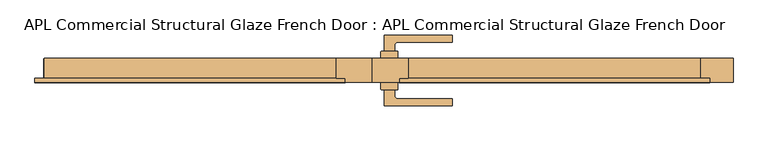
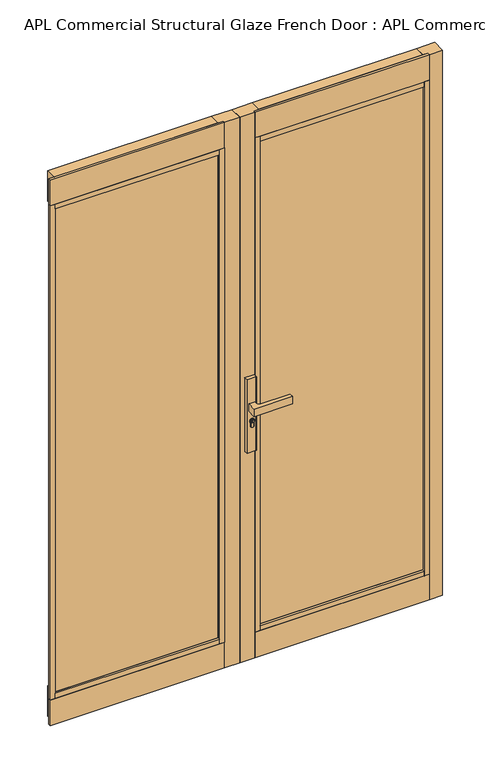
"""IFC4 building model written with IfcOpenShell, lengths in millimetres: door geometry, APL Commercial Structural Glaze French Door : APL Commercial Structural Glaze French Door."""

from ifc_helpers import new_model, si_unit, point, frame, frame_2d, origin, origin_with_axes, place, context, project, spatial, polyline, circle_curve, trimmed, segment, composite_curve, outline, extrude, faceted_brep, source, transform, mapped, element, save


def apl_commercial_structural_glaze_french_door_apl_commercial_d8d8a3a4(model_context):
    return source(origin(), model_context, "Body", "SolidModel", [
        extrude(outline(composite_curve([segment(trimmed(circle_curve(frame_2d((945.687184, 35.7946715)), 5.9005564), [point((945.687184, 41.6952279))], [point((945.687184, 29.8941151))], False, "CARTESIAN"), True, "CONTINUOUS"), segment(trimmed(circle_curve(frame_2d((945.687184, 35.7946715)), 5.9005564), [point((945.687184, 29.8941151))], [point((945.687184, 41.6952279))], False, "CARTESIAN"), True, "CONTINUOUS")], self_intersect=False), holes=[polyline([(949.7292167, 34.7306001), (949.7292167, 36.7785396), (948.9292167, 36.7785396), (948.3483344, 35.7306001), (947.1634303, 35.7306001), (946.3431864, 36.550844), (944.6002002, 36.550844), (944.0258593, 35.7306001), (941.7685105, 35.7306001), (941.7685105, 34.7306001), (944.5464263, 34.7306001), (945.1207673, 35.550844), (945.9289729, 35.550844), (946.7492167, 34.7306001), (949.7292167, 34.7306001)])]), frame((0.0, 51.3500427, 0.0), z_axis=(0.0, 1.0, 0.0), x_axis=(0.0, 0.0, 1.0)), (0.0, 0.0, 1.0), 4.423715),
        extrude(outline(composite_curve([segment(trimmed(circle_curve(frame_2d((19.1461528, 50.1000422)), 1.0), [point((18.1461528, 50.1000422))], [point((19.1461528, 51.1000422))], False, "CARTESIAN"), True, "CONTINUOUS"), segment(polyline([(19.1461528, 51.1000422), (52.1461525, 51.1000422)]), True, "CONTINUOUS"), segment(trimmed(circle_curve(frame_2d((52.1461525, 50.1000422)), 1.0), [point((52.1461525, 51.1000422))], [point((53.1461525, 50.1000422))], False, "CARTESIAN"), True, "CONTINUOUS"), segment(polyline([(53.1461525, 50.1000422), (53.1461525, 36.1000426), (18.1461528, 36.1000426), (18.1461528, 50.1000422)]), True, "CONTINUOUS")], self_intersect=False)), frame((0.0, 0.0, 822.4734334), z_axis=(0.0, 0.0, 1.0), x_axis=(1.0, 0.0, 0.0)), (0.0, 0.0, 1.0), 287.6450734),
        extrude(outline(composite_curve([segment(polyline([(18.1461528, -27.8999671), (18.1461528, -13.8999674), (53.1461525, -13.8999674), (53.1461525, -27.8999671)]), True, "CONTINUOUS"), segment(trimmed(circle_curve(frame_2d((52.1461525, -27.8999671)), 1.0), [point((53.1461525, -27.8999671))], [point((52.1461525, -28.8999671))], False, "CARTESIAN"), True, "CONTINUOUS"), segment(polyline([(52.1461525, -28.8999671), (19.1461528, -28.8999671)]), True, "CONTINUOUS"), segment(trimmed(circle_curve(frame_2d((19.1461528, -27.8999671)), 1.0), [point((19.1461528, -28.8999671))], [point((18.1461528, -27.8999671))], False, "CARTESIAN"), True, "CONTINUOUS")], self_intersect=False)), frame((0.0, 0.0, 822.4734334), z_axis=(0.0, 0.0, 1.0), x_axis=(1.0, 0.0, 0.0)), (0.0, 0.0, 1.0), 287.6450734),
        extrude(outline(composite_curve([segment(trimmed(circle_curve(frame_2d((945.687184, 35.7946715)), 8.4005564), [point((939.648662, 41.6346715))], [point((939.2521745, 30.3946715))], False, "CARTESIAN"), True, "CONTINUOUS"), segment(polyline([(939.2521745, 30.3946715), (926.2077404, 30.3946715)]), True, "CONTINUOUS"), segment(trimmed(circle_curve(frame_2d((926.2077404, 36.0146715)), 5.62), [point((926.2077404, 30.3946715))], [point((926.2077404, 41.6346715))], False, "CARTESIAN"), True, "CONTINUOUS"), segment(polyline([(926.2077404, 41.6346715), (939.648662, 41.6346715)]), True, "CONTINUOUS")], self_intersect=False), holes=[composite_curve([segment(trimmed(circle_curve(frame_2d((945.687184, 35.7946715)), 6.4005564), [point((945.687184, 42.1952279))], [point((945.687184, 29.3941151))], True, "CARTESIAN"), True, "CONTINUOUS"), segment(trimmed(circle_curve(frame_2d((945.687184, 35.7946715)), 6.4005564), [point((945.687184, 29.3941151))], [point((945.687184, 42.1952279))], True, "CARTESIAN"), True, "CONTINUOUS")], self_intersect=False)]), frame((0.0, 51.3500427, 0.0), z_axis=(0.0, 1.0, 0.0), x_axis=(0.0, 0.0, 1.0)), (0.0, 0.0, 1.0), 3.0593403),
        extrude(outline(composite_curve([segment(trimmed(circle_curve(frame_2d((945.687184, 35.7946715)), 6.4005564), [point((945.687184, 29.3941151))], [point((945.687184, 42.1952279))], False, "CARTESIAN"), True, "CONTINUOUS"), segment(trimmed(circle_curve(frame_2d((945.687184, 35.7946715)), 6.4005564), [point((945.687184, 42.1952279))], [point((945.687184, 29.3941151))], False, "CARTESIAN"), True, "CONTINUOUS")], self_intersect=False), holes=[composite_curve([segment(trimmed(circle_curve(frame_2d((945.687184, 35.7946715)), 5.9005564), [point((945.687184, 29.8941151))], [point((945.687184, 41.6952279))], True, "CARTESIAN"), True, "CONTINUOUS"), segment(trimmed(circle_curve(frame_2d((945.687184, 35.7946715)), 5.9005564), [point((945.687184, 41.6952279))], [point((945.687184, 29.8941151))], True, "CARTESIAN"), True, "CONTINUOUS")], self_intersect=False)]), frame((0.0, 51.3500427, 0.0), z_axis=(0.0, 1.0, 0.0), x_axis=(0.0, 0.0, 1.0)), (0.0, 0.0, 1.0), 3.0593403),
        extrude(outline(composite_curve([segment(polyline([(939.1595834, 30.1946715), (926.2077404, 30.1946715)]), True, "CONTINUOUS"), segment(trimmed(circle_curve(frame_2d((926.2077404, 36.0146715)), 5.82), [point((926.2077404, 30.1946715))], [point((926.2077404, 41.8346715))], False, "CARTESIAN"), True, "CONTINUOUS"), segment(polyline([(926.2077404, 41.8346715), (939.564442, 41.8346715)]), True, "CONTINUOUS"), segment(trimmed(circle_curve(frame_2d((945.687184, 35.7946715)), 8.6005564), [point((939.564442, 41.8346715))], [point((939.1595834, 30.1946715))], False, "CARTESIAN"), True, "CONTINUOUS")], self_intersect=False), holes=[composite_curve([segment(polyline([(926.2077404, 30.3946715), (939.2521745, 30.3946715)]), True, "CONTINUOUS"), segment(trimmed(circle_curve(frame_2d((945.687184, 35.7946715)), 8.4005564), [point((939.2521745, 30.3946715))], [point((939.648662, 41.6346715))], True, "CARTESIAN"), True, "CONTINUOUS"), segment(polyline([(939.648662, 41.6346715), (926.2077404, 41.6346715)]), True, "CONTINUOUS"), segment(trimmed(circle_curve(frame_2d((926.2077404, 36.0146715)), 5.62), [point((926.2077404, 41.6346715))], [point((926.2077404, 30.3946715))], True, "CARTESIAN"), True, "CONTINUOUS")], self_intersect=False)]), frame((0.0, 51.3500427, 0.0), z_axis=(0.0, 1.0, 0.0), x_axis=(0.0, 0.0, 1.0)), (0.0, 0.0, 1.0), 3.0593403),
        extrude(outline(composite_curve([segment(trimmed(circle_curve(frame_2d((91.646153, -851.6499574)), 939.0), [point((24.6461526, 84.9566836))], [point((166.646158, 84.3500422))], False, "CARTESIAN"), True, "CONTINUOUS"), segment(polyline([(166.646158, 84.3500422), (166.646158, 70.3500412), (54.1506874, 70.3500412)]), True, "CONTINUOUS"), segment(trimmed(circle_curve(frame_2d((54.1461526, 62.8500426)), 7.5), [point((54.1506874, 70.3500412))], [point((46.6461526, 62.8500426))], True, "CARTESIAN"), True, "CONTINUOUS"), segment(polyline([(46.6461526, 62.8500426), (46.6461526, 51.3500427), (24.6461526, 51.3500427), (24.6461526, 84.9566836)]), True, "CONTINUOUS")], self_intersect=False)), frame((0.0, 0.0, 985.1796291), z_axis=(0.0, 0.0, 1.0), x_axis=(1.0, 0.0, 0.0)), (0.0, 0.0, 1.0), 29.6407418),
        extrude(outline(composite_curve([segment(trimmed(circle_curve(frame_2d((945.687184, 35.7946715)), 5.9005564), [point((945.687184, 41.6952279))], [point((945.687184, 29.8941151))], False, "CARTESIAN"), True, "CONTINUOUS"), segment(trimmed(circle_curve(frame_2d((945.687184, 35.7946715)), 5.9005564), [point((945.687184, 29.8941151))], [point((945.687184, 41.6952279))], False, "CARTESIAN"), True, "CONTINUOUS")], self_intersect=False), holes=[polyline([(949.7292167, 34.7306001), (949.7292167, 36.7785396), (948.9292167, 36.7785396), (948.3483344, 35.7306001), (947.1634303, 35.7306001), (946.3431864, 36.550844), (944.6002002, 36.550844), (944.0258593, 35.7306001), (941.7685105, 35.7306001), (941.7685105, 34.7306001), (944.5464263, 34.7306001), (945.1207673, 35.550844), (945.9289729, 35.550844), (946.7492167, 34.7306001), (949.7292167, 34.7306001)])]), frame((0.0, -33.5736826, 0.0), z_axis=(0.0, 1.0, 0.0), x_axis=(0.0, 0.0, 1.0)), (0.0, 0.0, 1.0), 4.423715),
        extrude(outline(composite_curve([segment(trimmed(circle_curve(frame_2d((945.687184, 35.7946715)), 8.4005564), [point((939.648662, 41.6346715))], [point((939.2521745, 30.3946715))], False, "CARTESIAN"), True, "CONTINUOUS"), segment(polyline([(939.2521745, 30.3946715), (926.2077404, 30.3946715)]), True, "CONTINUOUS"), segment(trimmed(circle_curve(frame_2d((926.2077404, 36.0146715)), 5.62), [point((926.2077404, 30.3946715))], [point((926.2077404, 41.6346715))], False, "CARTESIAN"), True, "CONTINUOUS"), segment(polyline([(926.2077404, 41.6346715), (939.648662, 41.6346715)]), True, "CONTINUOUS")], self_intersect=False), holes=[composite_curve([segment(trimmed(circle_curve(frame_2d((945.687184, 35.7946715)), 6.4005564), [point((945.687184, 42.1952279))], [point((945.687184, 29.3941151))], True, "CARTESIAN"), True, "CONTINUOUS"), segment(trimmed(circle_curve(frame_2d((945.687184, 35.7946715)), 6.4005564), [point((945.687184, 29.3941151))], [point((945.687184, 42.1952279))], True, "CARTESIAN"), True, "CONTINUOUS")], self_intersect=False)]), frame((0.0, -32.2093079, 0.0), z_axis=(0.0, 1.0, 0.0), x_axis=(0.0, 0.0, 1.0)), (0.0, 0.0, 1.0), 3.0593403),
        extrude(outline(composite_curve([segment(trimmed(circle_curve(frame_2d((945.687184, 35.7946715)), 6.4005564), [point((945.687184, 29.3941151))], [point((945.687184, 42.1952279))], False, "CARTESIAN"), True, "CONTINUOUS"), segment(trimmed(circle_curve(frame_2d((945.687184, 35.7946715)), 6.4005564), [point((945.687184, 42.1952279))], [point((945.687184, 29.3941151))], False, "CARTESIAN"), True, "CONTINUOUS")], self_intersect=False), holes=[composite_curve([segment(trimmed(circle_curve(frame_2d((945.687184, 35.7946715)), 5.9005564), [point((945.687184, 29.8941151))], [point((945.687184, 41.6952279))], True, "CARTESIAN"), True, "CONTINUOUS"), segment(trimmed(circle_curve(frame_2d((945.687184, 35.7946715)), 5.9005564), [point((945.687184, 41.6952279))], [point((945.687184, 29.8941151))], True, "CARTESIAN"), True, "CONTINUOUS")], self_intersect=False)]), frame((0.0, -32.2093079, 0.0), z_axis=(0.0, 1.0, 0.0), x_axis=(0.0, 0.0, 1.0)), (0.0, 0.0, 1.0), 3.0593403),
        extrude(outline(composite_curve([segment(polyline([(939.1595834, 30.1946715), (926.2077404, 30.1946715)]), True, "CONTINUOUS"), segment(trimmed(circle_curve(frame_2d((926.2077404, 36.0146715)), 5.82), [point((926.2077404, 30.1946715))], [point((926.2077404, 41.8346715))], False, "CARTESIAN"), True, "CONTINUOUS"), segment(polyline([(926.2077404, 41.8346715), (939.564442, 41.8346715)]), True, "CONTINUOUS"), segment(trimmed(circle_curve(frame_2d((945.687184, 35.7946715)), 8.6005564), [point((939.564442, 41.8346715))], [point((939.1595834, 30.1946715))], False, "CARTESIAN"), True, "CONTINUOUS")], self_intersect=False), holes=[composite_curve([segment(polyline([(926.2077404, 30.3946715), (939.2521745, 30.3946715)]), True, "CONTINUOUS"), segment(trimmed(circle_curve(frame_2d((945.687184, 35.7946715)), 8.4005564), [point((939.2521745, 30.3946715))], [point((939.648662, 41.6346715))], True, "CARTESIAN"), True, "CONTINUOUS"), segment(polyline([(939.648662, 41.6346715), (926.2077404, 41.6346715)]), True, "CONTINUOUS"), segment(trimmed(circle_curve(frame_2d((926.2077404, 36.0146715)), 5.62), [point((926.2077404, 41.6346715))], [point((926.2077404, 30.3946715))], True, "CARTESIAN"), True, "CONTINUOUS")], self_intersect=False)]), frame((0.0, -32.2093079, 0.0), z_axis=(0.0, 1.0, 0.0), x_axis=(0.0, 0.0, 1.0)), (0.0, 0.0, 1.0), 3.0593403),
        extrude(outline(composite_curve([segment(polyline([(24.6461526, -62.7566084), (24.6461526, -29.1499676), (46.6461526, -29.1499676), (46.6461526, -40.6499674)]), True, "CONTINUOUS"), segment(trimmed(circle_curve(frame_2d((54.1461526, -40.6499674)), 7.5), [point((46.6461526, -40.6499674))], [point((54.1506874, -48.1499661))], True, "CARTESIAN"), True, "CONTINUOUS"), segment(polyline([(54.1506874, -48.1499661), (166.646158, -48.1499661), (166.646158, -62.149967)]), True, "CONTINUOUS"), segment(trimmed(circle_curve(frame_2d((91.646153, 873.8500326)), 939.0), [point((166.646158, -62.149967))], [point((24.6461526, -62.7566084))], False, "CARTESIAN"), True, "CONTINUOUS")], self_intersect=False)), frame((0.0, 0.0, 985.1796291), z_axis=(0.0, 0.0, 1.0), x_axis=(1.0, 0.0, 0.0)), (0.0, 0.0, 1.0), 29.6407418),
        extrude(outline(polyline([(74.9951849, -4.9045752), (74.9951849, -13.8999674), (55.9951829, -13.8999674), (55.9951829, -4.9045752), (74.9951849, -4.9045752)])), frame((0.0, 0.0, 100.0), z_axis=(0.0, 0.0, 1.0), x_axis=(1.0, 0.0, 0.0)), (0.0, 0.0, 1.0), 1936.0000682),
        extrude(outline(polyline([(-56.0, -4.9045752), (-56.0, -13.8999674), (-75.000002, -13.8999674), (-75.000002, -4.9045752), (-56.0, -4.9045752)])), frame((0.0, 0.0, 100.0), z_axis=(0.0, 0.0, 1.0), x_axis=(1.0, 0.0, 0.0)), (0.0, 0.0, 1.0), 1936.0000682),
        faceted_brep([(75.0, 36.1000426, 119.05), (75.0, 36.1000426, 0.0), (75.0, -4.9045752, 0.0), (75.0, -4.9045752, 100.0), (75.0, -4.9045752, 119.05), (684.000022, 36.1000426, 119.05), (684.000022, -4.9045752, 119.05), (684.000022, -4.9045752, 100.0), (684.000022, -4.9045752, 0.0), (684.000022, 36.1000426, 0.0), (703.000024, -4.9045752, 0.0), (703.000024, -13.8999674, 0.0), (56.0654397, -13.8999674, 0.0), (56.0654397, -4.9045752, 0.0), (56.0654397, -4.9045752, 100.0), (56.0654397, -13.8999674, 100.0), (703.000024, -4.9045752, 100.0), (703.000024, -13.8999674, 100.0)], [[[0, 1, 2, 3, 4]], [[5, 6, 7, 8, 9]], [[0, 5, 9, 1]], [[4, 6, 5, 0]], [[4, 3, 7, 6]], [[1, 9, 8, 10, 11, 12, 13, 2]], [[14, 13, 12, 15]], [[16, 17, 11, 10]], [[10, 8, 7, 16]], [[14, 3, 2, 13]], [[15, 17, 16, 7, 3, 14]], [[12, 11, 17, 15]]]),
        extrude(outline(polyline([(0.0, 36.1000426), (75.0, 36.1000426), (75.0, -4.9045752), (56.0, -4.9045752), (56.0, -13.8999674), (0.0, -13.8999674), (0.0, 36.1000426)])), origin_with_axes(), (0.0, 0.0, 1.0), 2136.0500682),
        extrude(outline(polyline([(0.0, 36.1000326), (0.0, -13.8999674), (-56.0, -13.8999674), (-56.0, -4.9045752), (-75.000002, -4.9045752), (-75.000002, 36.1000326), (0.0, 36.1000326)])), origin_with_axes(), (0.0, 0.0, 1.0), 2136.0500682),
        extrude(outline(polyline([(-75.0, -4.9045752), (-683.90533, -4.9045752), (-683.90533, 16.0954248), (-75.0, 16.0954248), (-75.0, -4.9045752)])), frame((0.0, 0.0, 119.05), z_axis=(0.0, 0.0, 1.0), x_axis=(1.0, 0.0, 0.0)), (0.0, 0.0, 1.0), 1897.9500662),
        extrude(outline(polyline([(-56.0, -13.8999674), (-702.9042559, -13.8999674), (-702.9042559, -4.9045752), (-56.0, -4.9045752), (-56.0, -13.8999674)])), frame((0.0, 0.0, 2036.0000682), z_axis=(0.0, 0.0, 1.0), x_axis=(1.0, 0.0, 0.0)), (0.0, 0.0, 1.0), 100.05),
        extrude(outline(polyline([(-75.000002, -4.9045752), (-683.90533, -4.9045752), (-683.90533, 36.1000651), (-75.000002, 36.1000651), (-75.000002, -4.9045752)])), frame((0.0, 0.0, 2017.0000682), z_axis=(0.0, 0.0, 1.0), x_axis=(1.0, 0.0, 0.0)), (0.0, 0.0, 1.0), 119.05),
        extrude(outline(polyline([(-75.000002, -4.9045752), (-684.0010981, -4.9045752), (-684.0010981, 36.1000651), (-75.000002, 36.1000651), (-75.000002, -4.9045752)])), origin_with_axes(), (0.0, 0.0, 1.0), 119.05),
        extrude(outline(polyline([(-75.000002, -13.8999674), (-683.90533, -13.8999674), (-683.90533, -4.9045752), (-75.000002, -4.9045752), (-75.000002, -13.8999674)])), frame((0.0, 0.0, 2017.0000682), z_axis=(0.0, 0.0, 1.0), x_axis=(1.0, 0.0, 0.0)), (0.0, 0.0, 1.0), 19.0),
        extrude(outline(polyline([(-75.000002, -13.8999674), (-683.90533, -13.8999674), (-683.90533, -4.9045752), (-75.000002, -4.9045752), (-75.000002, -13.8999674)])), frame((0.0, 0.0, 100.0), z_axis=(0.0, 0.0, 1.0), x_axis=(1.0, 0.0, 0.0)), (0.0, 0.0, 1.0), 19.05),
        extrude(outline(polyline([(-56.0, -13.8999674), (-702.9042559, -13.8999674), (-702.9042559, -4.9045752), (-56.0, -4.9045752), (-56.0, -13.8999674)])), origin_with_axes(), (0.0, 0.0, 1.0), 100.0),
        extrude(outline(polyline([(75.0, -4.9045752), (75.0, 16.0954248), (684.000022, 16.0954248), (684.000022, -4.9045752), (75.0, -4.9045752)])), frame((0.0, 0.0, 119.05), z_axis=(0.0, 0.0, 1.0), x_axis=(1.0, 0.0, 0.0)), (0.0, 0.0, 1.0), 1897.9500662),
        extrude(outline(polyline([(684.000022, -4.9045752), (703.000024, -4.9045752), (703.000024, -13.8999674), (684.000022, -13.8999674), (684.000022, -4.9045752)])), frame((0.0, 0.0, 100.0), z_axis=(0.0, 0.0, 1.0), x_axis=(1.0, 0.0, 0.0)), (0.0, 0.0, 1.0), 1936.0000682),
        extrude(outline(polyline([(56.0654397, -4.9045752), (703.000024, -4.9045752), (703.000024, -13.8999674), (56.0654397, -13.8999674), (56.0654397, -4.9045752)])), frame((0.0, 0.0, 2036.0000682), z_axis=(0.0, 0.0, 1.0), x_axis=(1.0, 0.0, 0.0)), (0.0, 0.0, 1.0), 100.05),
        extrude(outline(polyline([(75.0, 36.1000651), (684.000022, 36.1000651), (684.000022, -4.9045752), (75.0, -4.9045752), (75.0, 36.1000651)])), frame((0.0, 0.0, 2017.0000682), z_axis=(0.0, 0.0, 1.0), x_axis=(1.0, 0.0, 0.0)), (0.0, 0.0, 1.0), 119.05),
        extrude(outline(polyline([(75.0, -4.9045752), (684.000022, -4.9045752), (684.000022, -13.8999674), (75.0, -13.8999674), (75.0, -4.9045752)])), frame((0.0, 0.0, 2017.0000682), z_axis=(0.0, 0.0, 1.0), x_axis=(1.0, 0.0, 0.0)), (0.0, 0.0, 1.0), 19.0),
        extrude(outline(polyline([(75.0, -4.9045752), (684.000022, -4.9045752), (684.000022, -13.8999674), (75.0, -13.8999674), (75.0, -4.9045752)])), frame((0.0, 0.0, 100.0), z_axis=(0.0, 0.0, 1.0), x_axis=(1.0, 0.0, 0.0)), (0.0, 0.0, 1.0), 19.05),
        extrude(outline(polyline([(-683.90533, -4.9045752), (-683.90533, -13.8999674), (-702.9042559, -13.8999674), (-702.9042559, -4.9045752), (-683.90533, -4.9045752)])), frame((0.0, 0.0, 100.0), z_axis=(0.0, 0.0, 1.0), x_axis=(1.0, 0.0, 0.0)), (0.0, 0.0, 1.0), 1936.0000682),
        extrude(outline(polyline([(684.000022, 36.1000651), (752.0000844, 36.1000651), (752.0000844, -13.8999674), (703.000024, -13.8999674), (703.000024, -4.9045752), (684.000022, -4.9045752), (684.000022, 36.1000651)])), origin_with_axes(), (0.0, 0.0, 1.0), 2136.0500682),
    ])


if __name__ == "__main__":
    model = new_model("IFC4")
    model_context = context("Model", 3, world=origin())
    ifc_project = project(units=[si_unit("LENGTHUNIT", "METRE", prefix="MILLI")], contexts=[model_context])
    site = spatial("IfcSite", under=ifc_project)
    building = spatial("IfcBuilding", under=site)
    placement = place(None, origin())
    apl_commercial_structural_glaze_french_door_apl_commercial_shape = apl_commercial_structural_glaze_french_door_apl_commercial_d8d8a3a4(model_context)
    element("IfcDoor", 1, ObjectType="APL Commercial Structural Glaze French Door : APL Commercial Structural Glaze French Door", at=placement, inside=building, context=model_context, shape_type="MappedRepresentation", body=[
        mapped(apl_commercial_structural_glaze_french_door_apl_commercial_shape, transform((0.0, 0.0, 0.0), x_axis=(1.0, 0.0, 0.0), y_axis=(0.0, 1.0, 0.0), z_axis=(0.0, 0.0, 1.0))),
    ])
    save(model, "model.ifc")
